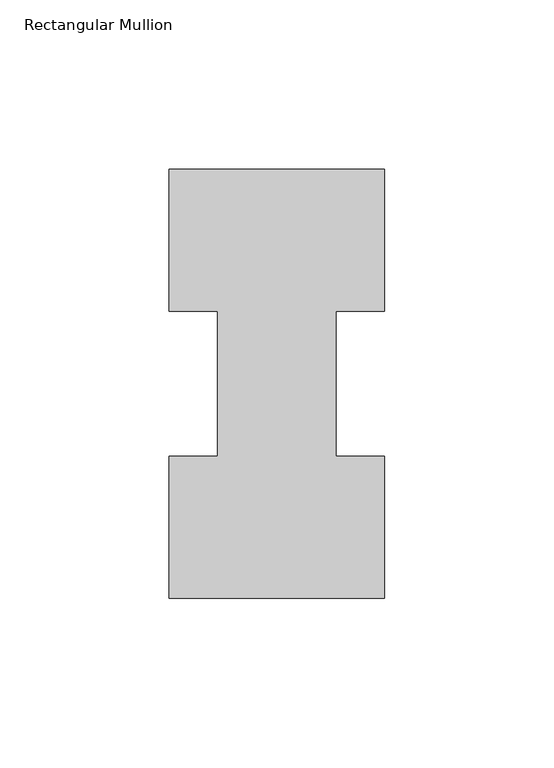
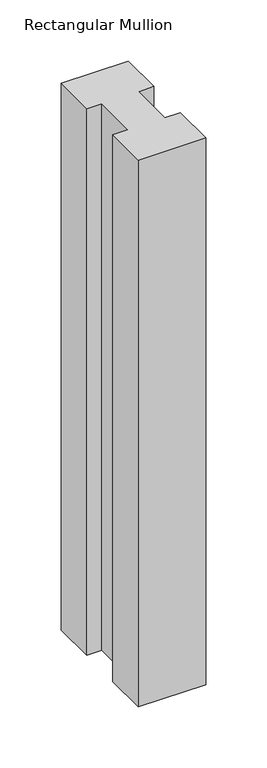
"""IFC4 building model written with IfcOpenShell, lengths in millimetres: member geometry, Rectangular Mullion."""

from ifc_helpers import new_model, si_unit, frame, origin, place, context, project, spatial, polyline, outline, extrude, source, transform, mapped, element, save


def rectangular_mullion_75cdb3a6(model_context):
    return source(origin(), model_context, "Body", "SweptSolid", [
        extrude(outline(polyline([(-63.5, 0.26035), (-63.5, 42.08145), (-49.2125, 42.08145), (-49.2125, 84.93125), (-63.5, 84.93125), (-63.5, 126.75235), (0.0, 126.75235), (0.0, 84.93125), (-14.2748, 84.93125), (-14.2748, 42.08145), (0.0, 42.08145), (0.0, 0.26035), (-63.5, 0.26035)])), frame((0.0, 0.0, -546.0999994), z_axis=(0.0, 0.0, 1.0), x_axis=(1.0, 0.0, 0.0)), (0.0, 0.0, 1.0), 546.0999994),
    ])


if __name__ == "__main__":
    model = new_model("IFC4")
    model_context = context("Model", 3, world=origin())
    ifc_project = project(units=[si_unit("LENGTHUNIT", "METRE", prefix="MILLI")], contexts=[model_context])
    site = spatial("IfcSite", under=ifc_project)
    building = spatial("IfcBuilding", under=site)
    placement = place(None, origin())
    rectangular_mullion_shape = rectangular_mullion_75cdb3a6(model_context)
    element("IfcMember", 1, ObjectType="Rectangular Mullion", at=placement, inside=building, context=model_context, shape_type="MappedRepresentation", body=[
        mapped(rectangular_mullion_shape, transform((0.0, 0.0, 0.0), x_axis=(1.0, 0.0, 0.0), y_axis=(0.0, 1.0, 0.0), z_axis=(0.0, 0.0, 1.0))),
    ])
    save(model, "model.ifc")
